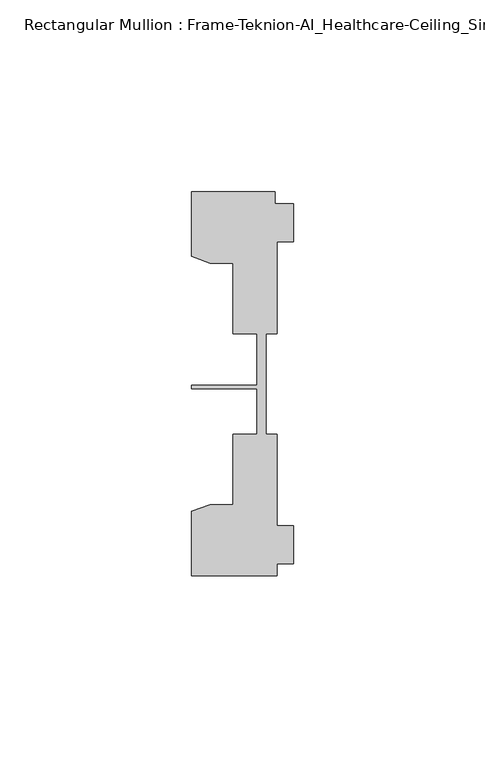
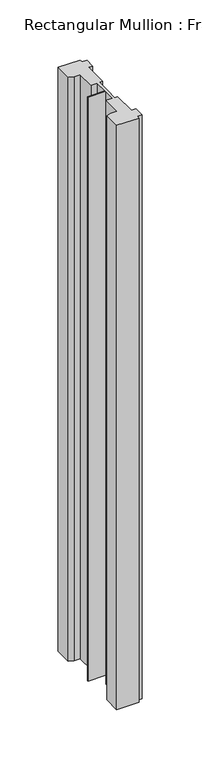
"""IFC4 building model written with IfcOpenShell, lengths in millimetres: member geometry, Rectangular Mullion : Frame-Teknion-AI_Healthcare-Ceiling_Single_Channel."""

from ifc_helpers import new_model, si_unit, frame, origin, place, context, project, spatial, polyline, outline, extrude, source, transform, mapped, element, save


def rectangular_mullion_frame_teknion_ai_healthcare_ceiling_2053f994(model_context):
    return source(origin(), model_context, "Body", "SweptSolid", [
        extrude(outline(polyline([(-26.4921999, 34.0201677), (-26.4921999, 50.8315128), (-4.7752002, 50.8315128), (-4.7752002, 47.782071), (0.0, 47.782071), (0.0, 37.7820716), (-4.2672007, 37.7820716), (-4.2672007, 13.9110722), (-7.1647766, 13.9110722), (-7.1647766, 0.0814804), (-7.1647766, -12.2509301), (-4.2672007, -12.2509301), (-4.2672007, -36.1219249), (0.0, -36.1219249), (0.0, -46.1219322), (-4.2672007, -46.1219322), (-4.2672007, -49.1699293), (-26.4921999, -49.1699293), (-26.4921999, -32.3600207), (-21.6625199, -30.6279561), (-15.6737764, -30.6279561), (-15.6737764, -12.2509301), (-9.4507761, -12.2509301), (-9.4507761, -0.4036528), (-26.4921999, -0.4036528), (-26.4921999, 0.4036528), (-9.4507761, 0.4036528), (-9.4507761, 13.9110722), (-15.6737764, 13.9110722), (-15.6737764, 32.2880982), (-21.6625199, 32.2880982), (-26.4921999, 34.0201677)])), frame((0.0, 0.0, -609.6), z_axis=(0.0, 0.0, 1.0), x_axis=(1.0, 0.0, 0.0)), (0.0, 0.0, 1.0), 609.6),
    ])


if __name__ == "__main__":
    model = new_model("IFC4")
    model_context = context("Model", 3, world=origin())
    ifc_project = project(units=[si_unit("LENGTHUNIT", "METRE", prefix="MILLI")], contexts=[model_context])
    site = spatial("IfcSite", under=ifc_project)
    building = spatial("IfcBuilding", under=site)
    placement = place(None, origin())
    rectangular_mullion_frame_teknion_ai_healthcare_ceiling_shape = rectangular_mullion_frame_teknion_ai_healthcare_ceiling_2053f994(model_context)
    element("IfcMember", 1, ObjectType="Rectangular Mullion : Frame-Teknion-AI_Healthcare-Ceiling_Single_Channel", at=placement, inside=building, context=model_context, shape_type="MappedRepresentation", body=[
        mapped(rectangular_mullion_frame_teknion_ai_healthcare_ceiling_shape, transform((0.0, 0.0, 0.0), x_axis=(1.0, 0.0, 0.0), y_axis=(0.0, 1.0, 0.0), z_axis=(0.0, 0.0, 1.0))),
    ])
    save(model, "model.ifc")
